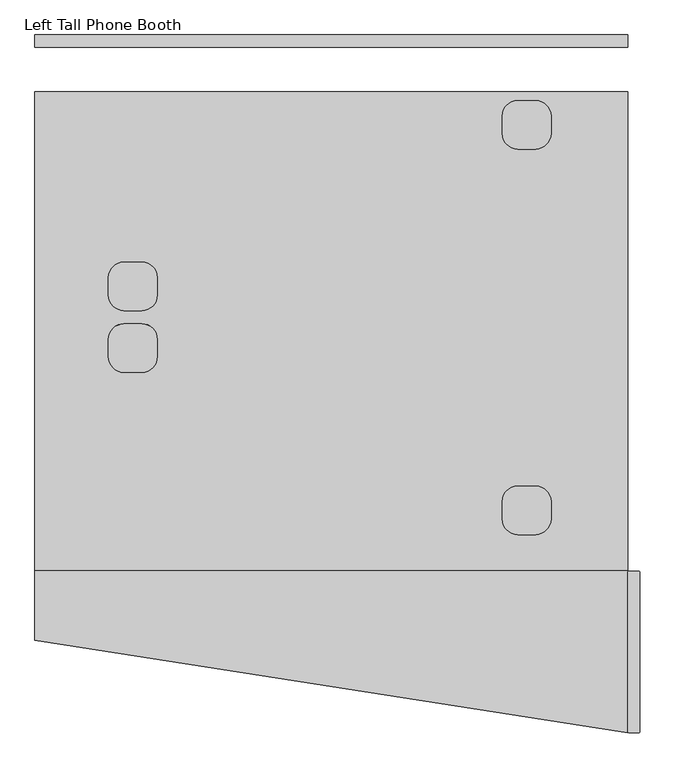
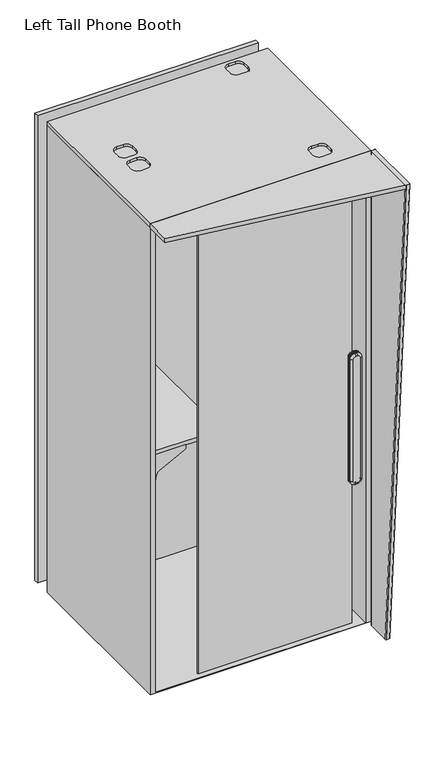
"""IFC4 building model written with IfcOpenShell, lengths in millimetres: furniture geometry, Left Tall Phone Booth."""

from ifc_helpers import new_model, si_unit, point, frame, frame_2d, origin, place, context, project, spatial, polyline, circle_curve, ellipse_curve, trimmed, segment, composite_curve, outline, extrude, faceted_brep, source, transform, mapped, element, save
from ifc_brep_helpers import plane_surface, cylinder_surface, revolved_surface, extruded_surface, advanced_brep


def left_tall_phone_booth_8a5bdd93(model_context):
    return source(origin(), model_context, "Body", "SolidModel", [
        advanced_brep(
        [(995.9999991, -888.0328478, 2259.9999538), (981.0, -888.0328478, 2259.9999538), (979.0, -890.0328478, 2259.9999538), (979.0, -1148.0328544, 2259.9999538), (981.0, -1150.0328544, 2259.9999538), (995.9999991, -1150.0328544, 2259.9999538), (997.9999991, -1148.0328544, 2259.9999538), (997.9999991, -890.0328478, 2259.9999538), (995.9999991, -888.0328478, 77.5), (997.9999991, -890.0328478, 77.5), (997.9999991, -998.0000005, 77.5), (995.9999991, -1000.0000005, 77.5), (981.0, -1000.0000005, 77.5), (979.0, -998.0000005, 77.5), (979.0, -890.0328478, 77.5), (981.0, -888.0328478, 77.5)],
        [
            (0, 1),
            (1, 2, circle_curve(frame((981.0, -890.0328478, 2259.9999538), z_axis=(0.0, 0.0, 1.0), x_axis=(-1.0, 0.0, 0.0)), 2.0)),
            (2, 3),
            (3, 4, circle_curve(frame((981.0, -1148.0328544, 2259.9999538), z_axis=(0.0, 0.0, 1.0), x_axis=(1.0, 0.0, 0.0)), 2.0)),
            (4, 5),
            (5, 6, circle_curve(frame((995.9999991, -1148.0328544, 2259.9999538), z_axis=(0.0, 0.0, 1.0), x_axis=(1.0, 0.0, 0.0)), 2.0)),
            (6, 7),
            (7, 0, circle_curve(frame((995.9999991, -890.0328478, 2259.9999538), z_axis=(0.0, 0.0, 1.0), x_axis=(0.0, 1.0, 0.0)), 2.0)),
            (8, 9, circle_curve(frame((995.9999991, -890.0328478, 77.5), z_axis=(0.0, 0.0, -1.0), x_axis=(0.0, 1.0, 0.0)), 2.0)),
            (9, 10),
            (10, 11, circle_curve(frame((995.9999991, -998.0000005, 77.5), z_axis=(0.0, 0.0, -1.0), x_axis=(1.0, 0.0, 0.0)), 2.0)),
            (11, 12),
            (12, 13, circle_curve(frame((981.0, -998.0000005, 77.5), z_axis=(0.0, 0.0, -1.0), x_axis=(1.0, 0.0, 0.0)), 2.0)),
            (13, 14),
            (14, 15, circle_curve(frame((981.0, -890.0328478, 77.5), z_axis=(0.0, 0.0, -1.0), x_axis=(-1.0, 0.0, 0.0)), 2.0)),
            (15, 8),
            (15, 1),
            (0, 8),
            (14, 2),
            (13, 3),
            (12, 4),
            (11, 5),
            (10, 6),
            (9, 7),
        ],
        [
            plane_surface(frame((988.4999996, -1019.0328511, 2259.9999538), z_axis=(0.0, 0.0, 1.0), x_axis=(-1.0, 0.0, 0.0))),
            plane_surface(frame((988.4999996, -944.0164241, 77.5), z_axis=(0.0, 0.0, -1.0), x_axis=(-1.0, 0.0, 0.0))),
            plane_surface(frame((988.4999996, -888.0328478, 77.5), z_axis=(0.0, 1.0, 0.0), x_axis=(-1.0, 0.0, 0.0))),
            cylinder_surface(frame((981.0, -890.0328478, 77.5), z_axis=(0.0, 0.0, 1.0), x_axis=(-1.0, 0.0, 0.0)), 2.0),
            plane_surface(frame((979.0, -944.0164241, 77.5), z_axis=(-1.0, 0.0, 0.0), x_axis=(0.0, -1.0, 0.0))),
            extruded_surface(trimmed(circle_curve(frame((981.0, -998.0000005, 77.5), z_axis=(0.0, 0.0, 1.0), x_axis=(1.0, 0.0, 0.0)), 2.0), [point((979.0, -998.0000005, 77.5))], [point((981.0, -1000.0000005, 77.5))], True, "CARTESIAN"), (0.0, -150.03285389999985, 2182.4999538), 2187.6507732237296),
            plane_surface(frame((988.4999996, -1000.0000005, 77.5), z_axis=(0.0, -0.9976455019737692, -0.06858172053474744), x_axis=(1.0, 0.0, 0.0))),
            extruded_surface(trimmed(circle_curve(frame((995.9999991, -998.0000005, 77.5), z_axis=(0.0, 0.0, 1.0), x_axis=(1.0, 0.0, 0.0)), 2.0), [point((995.9999991, -1000.0000005, 77.5))], [point((997.9999991, -998.0000005, 77.5))], True, "CARTESIAN"), (0.0, -150.03285389999985, 2182.4999538), 2187.6507732237296),
            plane_surface(frame((997.9999991, -944.0164241, 77.5), z_axis=(1.0, 0.0, 0.0), x_axis=(0.0, 1.0, 0.0))),
            cylinder_surface(frame((995.9999991, -890.0328478, 77.5), z_axis=(0.0, 0.0, 1.0), x_axis=(0.0, 1.0, 0.0)), 2.0),
        ],
        [
            (0, [[1, 2, 3, 4, 5, 6, 7, 8]]),
            (1, [[9, 10, 11, 12, 13, 14, 15, 16]]),
            (2, [[-16, 17, -1, 18]]),
            (3, [[-15, 19, -2, -17]]),
            (4, [[-14, 20, -3, -19]]),
            (5, [[-13, 21, -4, -20]]),
            (6, [[-12, 22, -5, -21]]),
            (7, [[-11, 23, -6, -22]]),
            (8, [[-10, 24, -7, -23]]),
            (9, [[-9, -18, -8, -24]]),
        ],
    ),
        extrude(outline(polyline([(18.9919174, -1000.0000005), (18.9919174, -887.9323077), (979.0080786, -887.9323077), (979.0080786, -1150.0328544), (18.9919174, -1000.0000005)])), frame((0.0, 0.0, 2241.0), z_axis=(0.0, 0.0, 1.0), x_axis=(1.0, 0.0, 0.0)), (0.0, 0.0, 1.0), 18.9999538),
        extrude(outline(composite_curve([segment(polyline([(1155.9656463, 41.9999957), (1011.000026, 41.9999957), (1011.000026, 60.1429939), (1060.4531008, 69.3329112)]), True, "CONTINUOUS"), segment(trimmed(circle_curve(frame_2d((1055.8855215, 93.9121142)), 25.0), [point((1060.4531008, 69.3329112))], [point((1078.1606846, 82.5623517))], True, "CARTESIAN"), True, "CONTINUOUS"), segment(polyline([(1078.1606846, 82.5623517), (1133.8068913, 191.7741815)]), True, "CONTINUOUS"), segment(trimmed(circle_curve(frame_2d((1143.7802255, 186.6925138)), 11.1933347), [point((1133.8068913, 191.7741815))], [point((1143.7802255, 197.8858486))], False, "CARTESIAN"), True, "CONTINUOUS"), segment(polyline([(1143.7802255, 197.8858486), (1155.9656463, 197.8858486), (1155.9656463, 41.9999957)]), True, "CONTINUOUS")], self_intersect=False)), frame((0.0, -197.0271946, 0.0), z_axis=(0.0, 1.0, 0.0), x_axis=(0.0, 0.0, 1.0)), (0.0, 0.0, 1.0), 6.7771763),
        extrude(outline(composite_curve([segment(polyline([(1155.9656463, 41.9999957), (1011.000026, 41.9999957), (1011.000026, 60.1429939), (1060.4531008, 69.3329112)]), True, "CONTINUOUS"), segment(trimmed(circle_curve(frame_2d((1055.8855215, 93.9121142)), 25.0), [point((1060.4531008, 69.3329112))], [point((1078.1606846, 82.5623517))], True, "CARTESIAN"), True, "CONTINUOUS"), segment(polyline([(1078.1606846, 82.5623517), (1133.8068913, 191.7741815)]), True, "CONTINUOUS"), segment(trimmed(circle_curve(frame_2d((1143.7802255, 186.6925138)), 11.1933347), [point((1133.8068913, 191.7741815))], [point((1143.7802255, 197.8858486))], False, "CARTESIAN"), True, "CONTINUOUS"), segment(polyline([(1143.7802255, 197.8858486), (1155.9656463, 197.8858486), (1155.9656463, 41.9999957)]), True, "CONTINUOUS")], self_intersect=False)), frame((0.0, -847.2499758, 0.0), z_axis=(0.0, 1.0, 0.0), x_axis=(0.0, 0.0, 1.0)), (0.0, 0.0, 1.0), 6.7771763),
        extrude(outline(composite_curve([segment(trimmed(circle_curve(frame_2d((249.0000293, -747.2499758)), 100.0), [point((349.0000293, -747.2499758))], [point((249.0000293, -847.2499758))], False, "CARTESIAN"), True, "CONTINUOUS"), segment(polyline([(249.0000293, -847.2499758), (41.9999957, -847.2499758), (41.9999957, -190.2500182), (249.0000293, -190.2500182)]), True, "CONTINUOUS"), segment(trimmed(circle_curve(frame_2d((249.0000293, -290.2500182)), 100.0), [point((249.0000293, -190.2500182))], [point((349.0000293, -290.2500182))], False, "CARTESIAN"), True, "CONTINUOUS"), segment(polyline([(349.0000293, -290.2500182), (349.0000293, -747.2499758)]), True, "CONTINUOUS")], self_intersect=False)), frame((0.0, 0.0, 1155.9656463), z_axis=(0.0, 0.0, 1.0), x_axis=(1.0, 0.0, 0.0)), (0.0, 0.0, 1.0), 17.987796),
        advanced_brep(
        [(979.0080786, -888.7290806, 2259.9999538), (979.0080786, -888.7290806, 2242.7287734), (979.0080786, -112.1922535, 2242.7287734), (979.0080786, -112.1922535, 2259.9999538), (18.9919174, -888.7290806, 2259.9999538), (18.9919174, -112.1922535, 2259.9999538), (18.9919174, -112.1922535, 2242.7287734), (18.9919174, -888.7290806, 2242.7287734), (163.0901466, -387.9199986, 2259.9999538), (191.9700314, -387.9199986, 2259.9999538), (216.9700314, -412.9199986, 2259.9999538), (216.9700314, -441.4199986, 2259.9999538), (191.9700314, -466.4199986, 2259.9999538), (163.0901466, -466.4199986, 2259.9999538), (138.0901466, -441.4199986, 2259.9999538), (138.0901466, -412.9199986, 2259.9999538), (163.0901466, -487.9199991, 2259.9999538), (191.9700314, -487.9199991, 2259.9999538), (216.9700314, -512.9199991, 2259.9999538), (216.9700314, -541.4199991, 2259.9999538), (191.9700314, -566.4199991, 2259.9999538), (163.0901466, -566.4199991, 2259.9999538), (138.0901466, -541.4199991, 2259.9999538), (138.0901466, -512.9199991, 2259.9999538), (800.5578374, -126.4599919, 2259.9999538), (829.4377222, -126.4599919, 2259.9999538), (854.4377222, -151.4599919, 2259.9999538), (854.4377222, -179.9599919, 2259.9999538), (829.4377222, -204.9599919, 2259.9999538), (800.5578374, -204.9599919, 2259.9999538), (775.5578374, -179.9599919, 2259.9999538), (775.5578374, -151.4599919, 2259.9999538), (854.4377222, -803.9599919, 2259.9999538), (829.4377222, -828.9599919, 2259.9999538), (800.5578374, -828.9599919, 2259.9999538), (775.5578374, -803.9599919, 2259.9999538), (775.5578374, -775.4599919, 2259.9999538), (800.5578374, -750.4599919, 2259.9999538), (829.4377222, -750.4599919, 2259.9999538), (854.4377222, -775.4599919, 2259.9999538), (191.9700314, -387.9199986, 2248.8864131), (163.0901466, -387.9199986, 2248.8864131), (138.0901466, -412.9199986, 2248.8864131), (138.0901466, -441.4199986, 2248.8864131), (163.0901466, -466.4199986, 2248.8864131), (191.9700314, -466.4199986, 2248.8864131), (216.9700314, -441.4199986, 2248.8864131), (216.9700314, -412.9199986, 2248.8864131), (191.9700314, -487.9199991, 2248.8864131), (163.0901466, -487.9199991, 2248.8864131), (138.0901466, -512.9199991, 2248.8864131), (138.0901466, -541.4199991, 2248.8864131), (163.0901466, -566.4199991, 2248.8864131), (191.9700314, -566.4199991, 2248.8864131), (216.9700314, -541.4199991, 2248.8864131), (216.9700314, -512.9199991, 2248.8864131), (829.4377222, -126.4599919, 2248.8864131), (800.5578374, -126.4599919, 2248.8864131), (775.5578374, -151.4599919, 2248.8864131), (775.5578374, -179.9599919, 2248.8864131), (800.5578374, -204.9599919, 2248.8864131), (829.4377222, -204.9599919, 2248.8864131), (854.4377222, -179.9599919, 2248.8864131), (854.4377222, -151.4599919, 2248.8864131), (829.4377222, -828.9599919, 2248.8864131), (854.4377222, -803.9599919, 2248.8864131), (854.4377222, -775.4599919, 2248.8864131), (829.4377222, -750.4599919, 2248.8864131), (800.5578374, -750.4599919, 2248.8864131), (775.5578374, -775.4599919, 2248.8864131), (775.5578374, -803.9599919, 2248.8864131), (800.5578374, -828.9599919, 2248.8864131)],
        [
            (0, 1),
            (1, 2),
            (2, 3),
            (3, 0),
            (4, 5),
            (5, 6),
            (6, 7),
            (7, 4),
            (0, 4),
            (7, 1),
            (6, 2),
            (5, 3),
            (8, 9),
            (9, 10, circle_curve(frame((191.9700314, -412.9199986, 2259.9999538), z_axis=(0.0, 0.0, -1.0), x_axis=(1.0, 0.0, 0.0)), 25.0)),
            (10, 11),
            (11, 12, circle_curve(frame((191.9700314, -441.4199986, 2259.9999538), z_axis=(0.0, 0.0, -1.0), x_axis=(1.0, 0.0, 0.0)), 25.0)),
            (12, 13),
            (13, 14, circle_curve(frame((163.0901466, -441.4199986, 2259.9999538), z_axis=(0.0, 0.0, -1.0), x_axis=(1.0, 0.0, 0.0)), 25.0)),
            (14, 15),
            (15, 8, circle_curve(frame((163.0901466, -412.9199986, 2259.9999538), z_axis=(0.0, 0.0, -1.0), x_axis=(1.0, 0.0, 0.0)), 25.0)),
            (16, 17),
            (17, 18, circle_curve(frame((191.9700314, -512.9199991, 2259.9999538), z_axis=(0.0, 0.0, -1.0), x_axis=(1.0, 0.0, 0.0)), 25.0)),
            (18, 19),
            (19, 20, circle_curve(frame((191.9700314, -541.4199991, 2259.9999538), z_axis=(0.0, 0.0, -1.0), x_axis=(1.0, 0.0, 0.0)), 25.0)),
            (20, 21),
            (21, 22, circle_curve(frame((163.0901466, -541.4199991, 2259.9999538), z_axis=(0.0, 0.0, -1.0), x_axis=(1.0, 0.0, 0.0)), 25.0)),
            (22, 23),
            (23, 16, circle_curve(frame((163.0901466, -512.9199991, 2259.9999538), z_axis=(0.0, 0.0, -1.0), x_axis=(1.0, 0.0, 0.0)), 25.0)),
            (24, 25),
            (25, 26, circle_curve(frame((829.4377222, -151.4599919, 2259.9999538), z_axis=(0.0, 0.0, -1.0), x_axis=(1.0, 0.0, 0.0)), 25.0)),
            (26, 27),
            (27, 28, circle_curve(frame((829.4377222, -179.9599919, 2259.9999538), z_axis=(0.0, 0.0, -1.0), x_axis=(1.0, 0.0, 0.0)), 25.0)),
            (28, 29),
            (29, 30, circle_curve(frame((800.5578374, -179.9599919, 2259.9999538), z_axis=(0.0, 0.0, -1.0), x_axis=(1.0, 0.0, 0.0)), 25.0)),
            (30, 31),
            (31, 24, circle_curve(frame((800.5578374, -151.4599919, 2259.9999538), z_axis=(0.0, 0.0, -1.0), x_axis=(1.0, 0.0, 0.0)), 25.0)),
            (32, 33, circle_curve(frame((829.4377222, -803.9599919, 2259.9999538), z_axis=(0.0, 0.0, -1.0), x_axis=(1.0, 0.0, 0.0)), 25.0)),
            (33, 34),
            (34, 35, circle_curve(frame((800.5578374, -803.9599919, 2259.9999538), z_axis=(0.0, 0.0, -1.0), x_axis=(1.0, 0.0, 0.0)), 25.0)),
            (35, 36),
            (36, 37, circle_curve(frame((800.5578374, -775.4599919, 2259.9999538), z_axis=(0.0, 0.0, -1.0), x_axis=(1.0, 0.0, 0.0)), 25.0)),
            (37, 38),
            (38, 39, circle_curve(frame((829.4377222, -775.4599919, 2259.9999538), z_axis=(0.0, 0.0, -1.0), x_axis=(1.0, 0.0, 0.0)), 25.0)),
            (39, 32),
            (40, 41),
            (41, 42, circle_curve(frame((163.0901466, -412.9199986, 2248.8864131), z_axis=(0.0, 0.0, 1.0), x_axis=(1.0, 0.0, 0.0)), 25.0)),
            (42, 43),
            (43, 44, circle_curve(frame((163.0901466, -441.4199986, 2248.8864131), z_axis=(0.0, 0.0, 1.0), x_axis=(1.0, 0.0, 0.0)), 25.0)),
            (44, 45),
            (45, 46, circle_curve(frame((191.9700314, -441.4199986, 2248.8864131), z_axis=(0.0, 0.0, 1.0), x_axis=(1.0, 0.0, 0.0)), 25.0)),
            (46, 47),
            (47, 40, circle_curve(frame((191.9700314, -412.9199986, 2248.8864131), z_axis=(0.0, 0.0, 1.0), x_axis=(1.0, 0.0, 0.0)), 25.0)),
            (48, 49),
            (49, 50, circle_curve(frame((163.0901466, -512.9199991, 2248.8864131), z_axis=(0.0, 0.0, 1.0), x_axis=(1.0, 0.0, 0.0)), 25.0)),
            (50, 51),
            (51, 52, circle_curve(frame((163.0901466, -541.4199991, 2248.8864131), z_axis=(0.0, 0.0, 1.0), x_axis=(1.0, 0.0, 0.0)), 25.0)),
            (52, 53),
            (53, 54, circle_curve(frame((191.9700314, -541.4199991, 2248.8864131), z_axis=(0.0, 0.0, 1.0), x_axis=(1.0, 0.0, 0.0)), 25.0)),
            (54, 55),
            (55, 48, circle_curve(frame((191.9700314, -512.9199991, 2248.8864131), z_axis=(0.0, 0.0, 1.0), x_axis=(1.0, 0.0, 0.0)), 25.0)),
            (56, 57),
            (57, 58, circle_curve(frame((800.5578374, -151.4599919, 2248.8864131), z_axis=(0.0, 0.0, 1.0), x_axis=(1.0, 0.0, 0.0)), 25.0)),
            (58, 59),
            (59, 60, circle_curve(frame((800.5578374, -179.9599919, 2248.8864131), z_axis=(0.0, 0.0, 1.0), x_axis=(1.0, 0.0, 0.0)), 25.0)),
            (60, 61),
            (61, 62, circle_curve(frame((829.4377222, -179.9599919, 2248.8864131), z_axis=(0.0, 0.0, 1.0), x_axis=(1.0, 0.0, 0.0)), 25.0)),
            (62, 63),
            (63, 56, circle_curve(frame((829.4377222, -151.4599919, 2248.8864131), z_axis=(0.0, 0.0, 1.0), x_axis=(1.0, 0.0, 0.0)), 25.0)),
            (64, 65, circle_curve(frame((829.4377222, -803.9599919, 2248.8864131), z_axis=(0.0, 0.0, 1.0), x_axis=(1.0, 0.0, 0.0)), 25.0)),
            (65, 66),
            (66, 67, circle_curve(frame((829.4377222, -775.4599919, 2248.8864131), z_axis=(0.0, 0.0, 1.0), x_axis=(1.0, 0.0, 0.0)), 25.0)),
            (67, 68),
            (68, 69, circle_curve(frame((800.5578374, -775.4599919, 2248.8864131), z_axis=(0.0, 0.0, 1.0), x_axis=(1.0, 0.0, 0.0)), 25.0)),
            (69, 70),
            (70, 71, circle_curve(frame((800.5578374, -803.9599919, 2248.8864131), z_axis=(0.0, 0.0, 1.0), x_axis=(1.0, 0.0, 0.0)), 25.0)),
            (71, 64),
            (40, 9),
            (8, 41),
            (15, 42),
            (14, 43),
            (13, 44),
            (12, 45),
            (11, 46),
            (10, 47),
            (48, 17),
            (16, 49),
            (23, 50),
            (22, 51),
            (21, 52),
            (20, 53),
            (19, 54),
            (18, 55),
            (56, 25),
            (24, 57),
            (31, 58),
            (30, 59),
            (29, 60),
            (28, 61),
            (27, 62),
            (26, 63),
            (64, 33),
            (32, 65),
            (39, 66),
            (38, 67),
            (37, 68),
            (36, 69),
            (35, 70),
            (34, 71),
        ],
        [
            plane_surface(frame((979.0080786, -888.7290806, 2259.9999538), z_axis=(1.0, 0.0, 0.0), x_axis=(0.0, 0.0, -1.0))),
            plane_surface(frame((18.9919174, -888.7290806, 2259.9999538), z_axis=(-1.0, 0.0, 0.0), x_axis=(0.0, 0.0, 1.0))),
            plane_surface(frame((979.0080786, -888.7290806, 2259.9999538), z_axis=(0.0, -1.0, 0.0), x_axis=(-1.0, 0.0, 0.0))),
            plane_surface(frame((979.0080786, -888.7290806, 2242.7287734), z_axis=(0.0, 0.0, -1.0), x_axis=(-1.0, 0.0, 0.0))),
            plane_surface(frame((979.0080786, -112.1922535, 2242.7287734), z_axis=(0.0, 1.0, 0.0), x_axis=(-1.0, 0.0, 0.0))),
            plane_surface(frame((979.0080786, -112.1922535, 2259.9999538), z_axis=(0.0, 0.0, 1.0), x_axis=(-1.0, 0.0, 0.0))),
            plane_surface(frame((138.0901466, -387.9199986, 2248.8864131), z_axis=(0.0, 0.0, 1.0), x_axis=(1.0, 0.0, 0.0))),
            plane_surface(frame((191.9700314, -387.9199986, 2335.8296588), z_axis=(0.0, -1.0, 0.0), x_axis=(0.0, 0.0, -1.0))),
            revolved_surface(polyline([(188.0901466, -412.9199986, 2259.9999538), (188.0901466, -412.9199986, 2248.8864131)]), (163.0901466, -412.9199986, 2248.8864131), (0.0, 0.0, 1.0)),
            plane_surface(frame((138.0901466, -412.9199986, 2335.8296588), z_axis=(1.0, 0.0, 0.0), x_axis=(0.0, 0.0, -1.0))),
            revolved_surface(polyline([(188.0901466, -441.4199986, 2259.9999538), (188.0901466, -441.4199986, 2248.8864131)]), (163.0901466, -441.4199986, 2248.8864131), (0.0, 0.0, 1.0)),
            plane_surface(frame((163.0901466, -466.4199986, 2335.8296588), z_axis=(0.0, 1.0, 0.0), x_axis=(0.0, 0.0, -1.0))),
            revolved_surface(polyline([(216.9700314, -441.4199986, 2259.9999538), (216.9700314, -441.4199986, 2248.8864131)]), (191.9700314, -441.4199986, 2248.8864131), (0.0, 0.0, 1.0)),
            plane_surface(frame((216.9700314, -441.4199986, 2335.8296588), z_axis=(-1.0, 0.0, 0.0), x_axis=(0.0, 0.0, -1.0))),
            revolved_surface(polyline([(216.9700314, -412.9199986, 2259.9999538), (216.9700314, -412.9199986, 2248.8864131)]), (191.9700314, -412.9199986, 2248.8864131), (0.0, 0.0, 1.0)),
            plane_surface(frame((191.9700314, -487.9199991, 2335.8296588), z_axis=(0.0, -1.0, 0.0), x_axis=(0.0, 0.0, -1.0))),
            revolved_surface(polyline([(188.0901466, -512.9199991, 2259.9999538), (188.0901466, -512.9199991, 2248.8864131)]), (163.0901466, -512.9199991, 0.0), (0.0, 0.0, 1.0)),
            plane_surface(frame((138.0901466, -512.9199991, 2335.8296588), z_axis=(1.0, 0.0, 0.0), x_axis=(0.0, 0.0, -1.0))),
            revolved_surface(polyline([(188.0901466, -541.4199991, 2259.9999538), (188.0901466, -541.4199991, 2248.8864131)]), (163.0901466, -541.4199991, 0.0), (0.0, 0.0, 1.0)),
            plane_surface(frame((163.0901466, -566.4199991, 2335.8296588), z_axis=(0.0, 1.0, 0.0), x_axis=(0.0, 0.0, -1.0))),
            revolved_surface(polyline([(216.9700314, -541.4199991, 2259.9999538), (216.9700314, -541.4199991, 2248.8864131)]), (191.9700314, -541.4199991, 0.0), (0.0, 0.0, 1.0)),
            plane_surface(frame((216.9700314, -541.4199991, 2335.8296588), z_axis=(-1.0, 0.0, 0.0), x_axis=(0.0, 0.0, -1.0))),
            revolved_surface(polyline([(216.9700314, -512.9199991, 2259.9999538), (216.9700314, -512.9199991, 2248.8864131)]), (191.9700314, -512.9199991, 0.0), (0.0, 0.0, 1.0)),
            plane_surface(frame((829.4377222, -126.4599919, 2335.8296588), z_axis=(0.0, -1.0, 0.0), x_axis=(0.0, 0.0, -1.0))),
            revolved_surface(polyline([(825.5578374, -151.4599919, 2259.9999538), (825.5578374, -151.4599919, 2248.8864131)]), (800.5578374, -151.4599919, 0.0), (0.0, 0.0, 1.0)),
            plane_surface(frame((775.5578374, -151.4599919, 2335.8296588), z_axis=(1.0, 0.0, 0.0), x_axis=(0.0, 0.0, -1.0))),
            revolved_surface(polyline([(825.5578374, -179.9599919, 2259.9999538), (825.5578374, -179.9599919, 2248.8864131)]), (800.5578374, -179.9599919, 0.0), (0.0, 0.0, 1.0)),
            plane_surface(frame((800.5578374, -204.9599919, 2335.8296588), z_axis=(0.0, 1.0, 0.0), x_axis=(0.0, 0.0, -1.0))),
            revolved_surface(polyline([(854.4377222, -179.9599919, 2259.9999538), (854.4377222, -179.9599919, 2248.8864131)]), (829.4377222, -179.9599919, 0.0), (0.0, 0.0, 1.0)),
            plane_surface(frame((854.4377222, -179.9599919, 2335.8296588), z_axis=(-1.0, 0.0, 0.0), x_axis=(0.0, 0.0, -1.0))),
            revolved_surface(polyline([(854.4377222, -151.4599919, 2259.9999538), (854.4377222, -151.4599919, 2248.8864131)]), (829.4377222, -151.4599919, 0.0), (0.0, 0.0, 1.0)),
            revolved_surface(polyline([(854.4377222, -803.9599919, 2259.9999538), (854.4377222, -803.9599919, 2248.8864131)]), (829.4377222, -803.9599919, 0.0), (0.0, 0.0, 1.0)),
            plane_surface(frame((854.4377222, -803.9599919, 2335.8296588), z_axis=(-1.0, 0.0, 0.0), x_axis=(0.0, 0.0, -1.0))),
            revolved_surface(polyline([(854.4377222, -775.4599919, 2259.9999538), (854.4377222, -775.4599919, 2248.8864131)]), (829.4377222, -775.4599919, 0.0), (0.0, 0.0, 1.0)),
            plane_surface(frame((829.4377222, -750.4599919, 2335.8296588), z_axis=(0.0, -1.0, 0.0), x_axis=(0.0, 0.0, -1.0))),
            revolved_surface(polyline([(825.5578374, -775.4599919, 2259.9999538), (825.5578374, -775.4599919, 2248.8864131)]), (800.5578374, -775.4599919, 0.0), (0.0, 0.0, 1.0)),
            plane_surface(frame((775.5578374, -775.4599919, 2335.8296588), z_axis=(1.0, 0.0, 0.0), x_axis=(0.0, 0.0, -1.0))),
            revolved_surface(polyline([(825.5578374, -803.9599919, 2259.9999538), (825.5578374, -803.9599919, 2248.8864131)]), (800.5578374, -803.9599919, 0.0), (0.0, 0.0, 1.0)),
            plane_surface(frame((800.5578374, -828.9599919, 2335.8296588), z_axis=(0.0, 1.0, 0.0), x_axis=(0.0, 0.0, -1.0))),
        ],
        [
            (0, [[1, 2, 3, 4]]),
            (1, [[5, 6, 7, 8]]),
            (2, [[-1, 9, -8, 10]]),
            (3, [[-2, -10, -7, 11]]),
            (4, [[-3, -11, -6, 12]]),
            (5, [[-4, -12, -5, -9], [13, 14, 15, 16, 17, 18, 19, 20], [21, 22, 23, 24, 25, 26, 27, 28], [29, 30, 31, 32, 33, 34, 35, 36], [37, 38, 39, 40, 41, 42, 43, 44]]),
            (6, [[45, 46, 47, 48, 49, 50, 51, 52]]),
            (6, [[53, 54, 55, 56, 57, 58, 59, 60]]),
            (6, [[61, 62, 63, 64, 65, 66, 67, 68]]),
            (6, [[69, 70, 71, 72, 73, 74, 75, 76]]),
            (7, [[-45, 77, -13, 78]]),
            (8, [[-46, -78, -20, 79]]),
            (9, [[-47, -79, -19, 80]]),
            (10, [[-48, -80, -18, 81]]),
            (11, [[-49, -81, -17, 82]]),
            (12, [[-50, -82, -16, 83]]),
            (13, [[-51, -83, -15, 84]]),
            (14, [[-52, -84, -14, -77]]),
            (15, [[-53, 85, -21, 86]]),
            (16, [[-54, -86, -28, 87]]),
            (17, [[-55, -87, -27, 88]]),
            (18, [[-56, -88, -26, 89]]),
            (19, [[-57, -89, -25, 90]]),
            (20, [[-58, -90, -24, 91]]),
            (21, [[-59, -91, -23, 92]]),
            (22, [[-60, -92, -22, -85]]),
            (23, [[-61, 93, -29, 94]]),
            (24, [[-62, -94, -36, 95]]),
            (25, [[-63, -95, -35, 96]]),
            (26, [[-64, -96, -34, 97]]),
            (27, [[-65, -97, -33, 98]]),
            (28, [[-66, -98, -32, 99]]),
            (29, [[-67, -99, -31, 100]]),
            (30, [[-68, -100, -30, -93]]),
            (31, [[-69, 101, -37, 102]]),
            (32, [[-70, -102, -44, 103]]),
            (33, [[-71, -103, -43, 104]]),
            (34, [[-72, -104, -42, 105]]),
            (35, [[-73, -105, -41, 106]]),
            (36, [[-74, -106, -40, 107]]),
            (37, [[-75, -107, -39, 108]]),
            (38, [[-76, -108, -38, -101]]),
        ],
    ),
        faceted_brep([(18.9919174, -112.1922535, 2242.7287734), (18.9919174, -888.7290806, 2242.7287734), (41.9999957, -888.7290806, 2242.7287734), (41.9999957, -134.1135464, 2242.7287734), (955.9761665, -134.1135464, 2242.7287734), (955.9761665, -888.7290806, 2242.7287734), (979.0080786, -888.7290806, 2242.7287734), (979.0080786, -112.1922535, 2242.7287734), (18.9919174, -112.1922535, 93.8931782), (979.0080786, -112.1922535, 93.8931782), (979.0080786, -888.7290806, 93.8931782), (18.9919174, -888.7290806, 93.8931782), (955.9761665, -134.1135464, 96.2197867), (955.9761665, -888.7290806, 96.2197867), (41.9999957, -888.7290806, 96.2197867), (41.9999957, -134.1135464, 96.2197867)], [[[0, 1, 2, 3, 4, 5, 6, 7]], [[8, 9, 10, 11]], [[1, 0, 8, 11]], [[7, 6, 10, 9]], [[0, 7, 9, 8]], [[5, 4, 12, 13]], [[3, 2, 14, 15]], [[4, 3, 15, 12]], [[2, 1, 11, 10, 6, 5, 13, 14]], [[14, 13, 12, 15]]]),
        extrude(outline(polyline([(979.0080786, -20.2453568), (979.0080786, -40.4281284), (18.9919174, -40.4281284), (18.9919174, -20.2453568), (979.0080786, -20.2453568)])), frame((0.0, 0.0, 93.8931782), z_axis=(0.0, 0.0, 1.0), x_axis=(1.0, 0.0, 0.0)), (0.0, 0.0, 1.0), 2148.8355952),
        extrude(outline(polyline([(867.9999959, -931.0000005), (867.9999959, -937.0000005), (200.1951039, -937.0000005), (200.1951039, -931.0000005), (867.9999959, -931.0000005)])), frame((0.0, 0.0, 155.2071115), z_axis=(0.0, 0.0, 1.0), x_axis=(1.0, 0.0, 0.0)), (0.0, 0.0, 1.0), 2021.2929295),
        advanced_brep(
        [(853.9098883, -1033.4639753, 1448.934151), (834.2095791, -1033.4639753, 1468.6344601), (834.2095791, -1041.4639753, 1460.6344601), (845.9098883, -1041.4639753, 1448.934151), (853.9098883, -1029.1921613, 1448.934151), (834.2095791, -1029.1921613, 1468.6344601), (853.4539574, -1028.6063103, 1448.934151), (834.2095791, -1028.6063103, 1468.1785293), (853.4539574, -1025.3160149, 1448.934151), (834.2095791, -1025.3160149, 1468.1785293), (853.9098883, -1024.4562782, 1448.934151), (834.2095791, -1024.4562782, 1468.6344601), (853.9098883, -1020.4537498, 1448.934151), (834.2095791, -1020.4537498, 1468.6344601), (845.9098883, -1012.4537498, 1448.934151), (834.2095791, -1012.4537498, 1460.6344601), (845.9098883, -1041.4639753, 888.6878285), (853.9098883, -1033.4639753, 888.6878285), (853.9098883, -1029.1921613, 888.6878285), (853.4539574, -1028.6063103, 888.6878285), (853.4539574, -1025.3160149, 888.6878285), (853.9098883, -1024.4562782, 888.6878285), (853.9098883, -1020.4537498, 888.6878285), (845.9098883, -1012.4537498, 888.6878285), (834.2095791, -1041.4639753, 876.9875193), (834.2095791, -1033.4639753, 868.9875193), (834.2095791, -1029.1921613, 868.9875193), (834.2095791, -1028.6063103, 869.4434501), (834.2095791, -1025.3160149, 869.4434501), (834.2095791, -1024.4562782, 868.9875193), (834.2095791, -1020.4537498, 868.9875193), (834.2095791, -1012.4537498, 876.9875193), (824.2169444, -1041.4639753, 876.9875193), (824.2169444, -1033.4639753, 868.9875193), (824.2169444, -1029.1921613, 868.9875193), (824.2169444, -1028.6063103, 869.4434501), (824.2169444, -1025.3160149, 869.4434501), (824.2169444, -1024.4562782, 868.9875193), (824.2169444, -1020.4537498, 868.9875193), (824.2169444, -1012.4537498, 876.9875193), (812.5166352, -1041.4639753, 888.6878285), (804.5166352, -1033.4639753, 888.6878285), (804.5166352, -1029.1921613, 888.6878285), (804.9725661, -1028.6063103, 888.6878285), (804.9725661, -1025.3160149, 888.6878285), (804.5166352, -1024.4562782, 888.6878285), (804.5166352, -1020.4537498, 888.6878285), (812.5166352, -1012.4537498, 888.6878285), (812.5166352, -1041.4639753, 1448.934151), (804.5166352, -1033.4639753, 1448.934151), (804.5166352, -1029.1921613, 1448.934151), (804.9725661, -1028.6063103, 1448.934151), (804.9725661, -1025.3160149, 1448.934151), (804.5166352, -1024.4562782, 1448.934151), (804.5166352, -1020.4537498, 1448.934151), (812.5166352, -1012.4537498, 1448.934151), (824.2169444, -1041.4639753, 1460.6344601), (824.2169444, -1033.4639753, 1468.6344601), (824.2169444, -1029.1921613, 1468.6344601), (824.2169444, -1028.6063103, 1468.1785293), (824.2169444, -1025.3160149, 1468.1785293), (824.2169444, -1024.4562782, 1468.6344601), (824.2169444, -1020.4537498, 1468.6344601), (824.2169444, -1012.4537498, 1460.6344601)],
        [
            (0, 1, circle_curve(frame((834.2095791, -1033.4639753, 1448.934151), z_axis=(0.0, -1.0, 0.0), x_axis=(0.0, 0.0, 1.0)), 19.7003092)),
            (1, 2, circle_curve(frame((834.2095791, -1033.4639753, 1460.6344601), z_axis=(1.0, 0.0, 0.0), x_axis=(0.0, -1.0, 0.0)), 8.0)),
            (2, 3, circle_curve(frame((834.2095791, -1041.4639753, 1448.934151), z_axis=(0.0, 1.0, 0.0), x_axis=(0.0, 0.0, 1.0)), 11.7003092)),
            (3, 0, circle_curve(frame((845.9098883, -1033.4639753, 1448.934151), z_axis=(0.0, 0.0, 1.0), x_axis=(0.0, -1.0, 0.0)), 8.0)),
            (0, 4),
            (4, 5, circle_curve(frame((834.2095791, -1029.1921613, 1448.934151), z_axis=(0.0, -1.0, 0.0), x_axis=(0.0, 0.0, 1.0)), 19.7003092)),
            (5, 1),
            (4, 6, circle_curve(frame((853.3055266, -1029.1921613, 1448.934151), z_axis=(0.0, 0.0, 1.0), x_axis=(0.0, -1.0, 0.0)), 0.6043617)),
            (6, 7, circle_curve(frame((834.2095791, -1028.6063103, 1448.934151), z_axis=(0.0, -1.0, 0.0), x_axis=(0.0, 0.0, 1.0)), 19.2443783)),
            (7, 5, circle_curve(frame((834.2095791, -1029.1921613, 1468.0300984), z_axis=(1.0, 0.0, 0.0), x_axis=(0.0, -1.0, 0.0)), 0.6043617)),
            (6, 8),
            (8, 9, circle_curve(frame((834.2095791, -1025.3160149, 1448.934151), z_axis=(0.0, -1.0, 0.0), x_axis=(0.0, 0.0, 1.0)), 19.2443783)),
            (9, 7),
            (8, 10, circle_curve(frame((852.8713315, -1024.4562782, 1448.934151), z_axis=(0.0, 0.0, 1.0), x_axis=(0.0, -1.0, 0.0)), 1.0385568)),
            (10, 11, circle_curve(frame((834.2095791, -1024.4562782, 1448.934151), z_axis=(0.0, -1.0, 0.0), x_axis=(0.0, 0.0, 1.0)), 19.7003092)),
            (11, 9, circle_curve(frame((834.2095791, -1024.4562782, 1467.5959033), z_axis=(1.0, 0.0, 0.0), x_axis=(0.0, -1.0, 0.0)), 1.0385568)),
            (10, 12),
            (12, 13, circle_curve(frame((834.2095791, -1020.4537498, 1448.934151), z_axis=(0.0, -1.0, 0.0), x_axis=(0.0, 0.0, 1.0)), 19.7003092)),
            (13, 11),
            (12, 14, circle_curve(frame((845.9098883, -1020.4537498, 1448.934151), z_axis=(0.0, 0.0, 1.0), x_axis=(0.0, -1.0, 0.0)), 8.0)),
            (14, 15, circle_curve(frame((834.2095791, -1012.4537498, 1448.934151), z_axis=(0.0, -1.0, 0.0), x_axis=(0.0, 0.0, 1.0)), 11.7003092)),
            (15, 13, circle_curve(frame((834.2095791, -1020.4537498, 1460.6344601), z_axis=(1.0, 0.0, 0.0), x_axis=(0.0, -1.0, 0.0)), 8.0)),
            (3, 16),
            (16, 17, circle_curve(frame((845.9098883, -1033.4639753, 888.6878285), z_axis=(0.0, 0.0, 1.0), x_axis=(0.0, -1.0, 0.0)), 8.0)),
            (17, 0),
            (17, 18),
            (18, 4),
            (18, 19, circle_curve(frame((853.3055266, -1029.1921613, 888.6878285), z_axis=(0.0, 0.0, 1.0), x_axis=(0.0, -1.0, 0.0)), 0.6043617)),
            (19, 6),
            (19, 20),
            (20, 8),
            (20, 21, circle_curve(frame((852.8713315, -1024.4562782, 888.6878285), z_axis=(0.0, 0.0, 1.0), x_axis=(0.0, -1.0, 0.0)), 1.0385568)),
            (21, 10),
            (21, 22),
            (22, 12),
            (22, 23, circle_curve(frame((845.9098883, -1020.4537498, 888.6878285), z_axis=(0.0, 0.0, 1.0), x_axis=(0.0, -1.0, 0.0)), 8.0)),
            (23, 14),
            (16, 24, circle_curve(frame((834.2095791, -1041.4639753, 888.6878285), z_axis=(0.0, 1.0, 0.0), x_axis=(1.0, 0.0, 0.0)), 11.7003092)),
            (24, 25, circle_curve(frame((834.2095791, -1033.4639753, 876.9875193), z_axis=(1.0, 0.0, 0.0), x_axis=(0.0, -1.0, 0.0)), 8.0)),
            (25, 17, circle_curve(frame((834.2095791, -1033.4639753, 888.6878285), z_axis=(0.0, -1.0, 0.0), x_axis=(1.0, 0.0, 0.0)), 19.7003092)),
            (25, 26),
            (26, 18, circle_curve(frame((834.2095791, -1029.1921613, 888.6878285), z_axis=(0.0, -1.0, 0.0), x_axis=(1.0, 0.0, 0.0)), 19.7003092)),
            (26, 27, circle_curve(frame((834.2095791, -1029.1921613, 869.591881), z_axis=(1.0, 0.0, 0.0), x_axis=(0.0, -1.0, 0.0)), 0.6043617)),
            (27, 19, circle_curve(frame((834.2095791, -1028.6063103, 888.6878285), z_axis=(0.0, -1.0, 0.0), x_axis=(1.0, 0.0, 0.0)), 19.2443783)),
            (27, 28),
            (28, 20, circle_curve(frame((834.2095791, -1025.3160149, 888.6878285), z_axis=(0.0, -1.0, 0.0), x_axis=(1.0, 0.0, 0.0)), 19.2443783)),
            (28, 29, circle_curve(frame((834.2095791, -1024.4562782, 870.0260761), z_axis=(1.0, 0.0, 0.0), x_axis=(0.0, -1.0, 0.0)), 1.0385568)),
            (29, 21, circle_curve(frame((834.2095791, -1024.4562782, 888.6878285), z_axis=(0.0, -1.0, 0.0), x_axis=(1.0, 0.0, 0.0)), 19.7003092)),
            (29, 30),
            (30, 22, circle_curve(frame((834.2095791, -1020.4537498, 888.6878285), z_axis=(0.0, -1.0, 0.0), x_axis=(1.0, 0.0, 0.0)), 19.7003092)),
            (30, 31, circle_curve(frame((834.2095791, -1020.4537498, 876.9875193), z_axis=(1.0, 0.0, 0.0), x_axis=(0.0, -1.0, 0.0)), 8.0)),
            (31, 23, circle_curve(frame((834.2095791, -1012.4537498, 888.6878285), z_axis=(0.0, -1.0, 0.0), x_axis=(1.0, 0.0, 0.0)), 11.7003092)),
            (24, 32),
            (32, 33, circle_curve(frame((824.2169444, -1033.4639753, 876.9875193), z_axis=(1.0, 0.0, 0.0), x_axis=(0.0, -1.0, 0.0)), 8.0)),
            (33, 25),
            (33, 34),
            (34, 26),
            (34, 35, circle_curve(frame((824.2169444, -1029.1921613, 869.591881), z_axis=(1.0, 0.0, 0.0), x_axis=(0.0, -1.0, 0.0)), 0.6043617)),
            (35, 27),
            (35, 36),
            (36, 28),
            (36, 37, circle_curve(frame((824.2169444, -1024.4562782, 870.0260761), z_axis=(1.0, 0.0, 0.0), x_axis=(0.0, -1.0, 0.0)), 1.0385568)),
            (37, 29),
            (37, 38),
            (38, 30),
            (38, 39, circle_curve(frame((824.2169444, -1020.4537498, 876.9875193), z_axis=(1.0, 0.0, 0.0), x_axis=(0.0, -1.0, 0.0)), 8.0)),
            (39, 31),
            (32, 40, circle_curve(frame((824.2169444, -1041.4639753, 888.6878285), z_axis=(0.0, 1.0, 0.0), x_axis=(0.0, 0.0, -1.0)), 11.7003092)),
            (40, 41, circle_curve(frame((812.5166352, -1033.4639753, 888.6878285), z_axis=(0.0, 0.0, -1.0), x_axis=(0.0, -1.0, 0.0)), 8.0)),
            (41, 33, circle_curve(frame((824.2169444, -1033.4639753, 888.6878285), z_axis=(0.0, -1.0, 0.0), x_axis=(0.0, 0.0, -1.0)), 19.7003092)),
            (41, 42),
            (42, 34, circle_curve(frame((824.2169444, -1029.1921613, 888.6878285), z_axis=(0.0, -1.0, 0.0), x_axis=(0.0, 0.0, -1.0)), 19.7003092)),
            (42, 43, circle_curve(frame((805.1209969, -1029.1921613, 888.6878285), z_axis=(0.0, 0.0, -1.0), x_axis=(0.0, -1.0, 0.0)), 0.6043617)),
            (43, 35, circle_curve(frame((824.2169444, -1028.6063103, 888.6878285), z_axis=(0.0, -1.0, 0.0), x_axis=(0.0, 0.0, -1.0)), 19.2443783)),
            (43, 44),
            (44, 36, circle_curve(frame((824.2169444, -1025.3160149, 888.6878285), z_axis=(0.0, -1.0, 0.0), x_axis=(0.0, 0.0, -1.0)), 19.2443783)),
            (44, 45, circle_curve(frame((805.5551921, -1024.4562782, 888.6878285), z_axis=(0.0, 0.0, -1.0), x_axis=(0.0, -1.0, 0.0)), 1.0385568)),
            (45, 37, circle_curve(frame((824.2169444, -1024.4562782, 888.6878285), z_axis=(0.0, -1.0, 0.0), x_axis=(0.0, 0.0, -1.0)), 19.7003092)),
            (45, 46),
            (46, 38, circle_curve(frame((824.2169444, -1020.4537498, 888.6878285), z_axis=(0.0, -1.0, 0.0), x_axis=(0.0, 0.0, -1.0)), 19.7003092)),
            (46, 47, circle_curve(frame((812.5166352, -1020.4537498, 888.6878285), z_axis=(0.0, 0.0, -1.0), x_axis=(0.0, -1.0, 0.0)), 8.0)),
            (47, 39, circle_curve(frame((824.2169444, -1012.4537498, 888.6878285), z_axis=(0.0, -1.0, 0.0), x_axis=(0.0, 0.0, -1.0)), 11.7003092)),
            (40, 48),
            (48, 49, circle_curve(frame((812.5166352, -1033.4639753, 1448.934151), z_axis=(0.0, 0.0, -1.0), x_axis=(0.0, -1.0, 0.0)), 8.0)),
            (49, 41),
            (49, 50),
            (50, 42),
            (50, 51, circle_curve(frame((805.1209969, -1029.1921613, 1448.934151), z_axis=(0.0, 0.0, -1.0), x_axis=(0.0, -1.0, 0.0)), 0.6043617)),
            (51, 43),
            (51, 52),
            (52, 44),
            (52, 53, circle_curve(frame((805.5551921, -1024.4562782, 1448.934151), z_axis=(0.0, 0.0, -1.0), x_axis=(0.0, -1.0, 0.0)), 1.0385568)),
            (53, 45),
            (53, 54),
            (54, 46),
            (54, 55, circle_curve(frame((812.5166352, -1020.4537498, 1448.934151), z_axis=(0.0, 0.0, -1.0), x_axis=(0.0, -1.0, 0.0)), 8.0)),
            (55, 47),
            (48, 56, circle_curve(frame((824.2169444, -1041.4639753, 1448.934151), z_axis=(0.0, 1.0, 0.0), x_axis=(-1.0, 0.0, 0.0)), 11.7003092)),
            (56, 57, circle_curve(frame((824.2169444, -1033.4639753, 1460.6344601), z_axis=(-1.0, 0.0, 0.0), x_axis=(0.0, -1.0, 0.0)), 8.0)),
            (57, 49, circle_curve(frame((824.2169444, -1033.4639753, 1448.934151), z_axis=(0.0, -1.0, 0.0), x_axis=(-1.0, 0.0, 0.0)), 19.7003092)),
            (57, 58),
            (58, 50, circle_curve(frame((824.2169444, -1029.1921613, 1448.934151), z_axis=(0.0, -1.0, 0.0), x_axis=(-1.0, 0.0, 0.0)), 19.7003092)),
            (58, 59, circle_curve(frame((824.2169444, -1029.1921613, 1468.0300984), z_axis=(-1.0, 0.0, 0.0), x_axis=(0.0, -1.0, 0.0)), 0.6043617)),
            (59, 51, circle_curve(frame((824.2169444, -1028.6063103, 1448.934151), z_axis=(0.0, -1.0, 0.0), x_axis=(-1.0, 0.0, 0.0)), 19.2443783)),
            (59, 60),
            (60, 52, circle_curve(frame((824.2169444, -1025.3160149, 1448.934151), z_axis=(0.0, -1.0, 0.0), x_axis=(-1.0, 0.0, 0.0)), 19.2443783)),
            (60, 61, circle_curve(frame((824.2169444, -1024.4562782, 1467.5959033), z_axis=(-1.0, 0.0, 0.0), x_axis=(0.0, -1.0, 0.0)), 1.0385568)),
            (61, 53, circle_curve(frame((824.2169444, -1024.4562782, 1448.934151), z_axis=(0.0, -1.0, 0.0), x_axis=(-1.0, 0.0, 0.0)), 19.7003092)),
            (61, 62),
            (62, 54, circle_curve(frame((824.2169444, -1020.4537498, 1448.934151), z_axis=(0.0, -1.0, 0.0), x_axis=(-1.0, 0.0, 0.0)), 19.7003092)),
            (62, 63, circle_curve(frame((824.2169444, -1020.4537498, 1460.6344601), z_axis=(-1.0, 0.0, 0.0), x_axis=(0.0, -1.0, 0.0)), 8.0)),
            (63, 55, circle_curve(frame((824.2169444, -1012.4537498, 1448.934151), z_axis=(0.0, -1.0, 0.0), x_axis=(-1.0, 0.0, 0.0)), 11.7003092)),
            (2, 56),
            (1, 57),
            (5, 58),
            (7, 59),
            (9, 60),
            (11, 61),
            (13, 62),
            (15, 63),
        ],
        [
            revolved_surface(trimmed(ellipse_curve(frame((834.2095791, -1033.4639753, 1460.6344601), z_axis=(-1.0, 0.0, 0.0), x_axis=(0.0, -1.0, 0.0)), 8.0, 8.0), [point((834.2095791, -1041.4639753, 1460.6344601))], [point((834.2095791, -1033.4639753, 1468.6344601))], True, "CARTESIAN"), (834.2095791, 0.0, 1448.934151), (0.0, 1.0, 0.0)),
            cylinder_surface(frame((834.2095791, 0.0, 1448.934151), z_axis=(0.0, 1.0, 0.0), x_axis=(0.0, 0.0, 1.0)), 19.7003092),
            revolved_surface(trimmed(ellipse_curve(frame((834.2095791, -1029.1921613, 1468.0300984), z_axis=(-1.0, 0.0, 0.0), x_axis=(0.0, -1.0, 0.0)), 0.6043617, 0.6043617), [point((834.2095791, -1029.1921613, 1468.6344601))], [point((834.2095791, -1028.6063103, 1468.1785293))], True, "CARTESIAN"), (834.2095791, 0.0, 1448.934151), (0.0, 1.0, 0.0)),
            cylinder_surface(frame((834.2095791, 0.0, 1448.934151), z_axis=(0.0, 1.0, 0.0), x_axis=(0.0, 0.0, 1.0)), 19.2443783),
            revolved_surface(trimmed(ellipse_curve(frame((834.2095791, -1024.4562782, 1467.5959033), z_axis=(-1.0, 0.0, 0.0), x_axis=(0.0, -1.0, 0.0)), 1.0385568, 1.0385568), [point((834.2095791, -1025.3160149, 1468.1785293))], [point((834.2095791, -1024.4562782, 1468.6344601))], True, "CARTESIAN"), (834.2095791, 0.0, 1448.934151), (0.0, 1.0, 0.0)),
            revolved_surface(trimmed(ellipse_curve(frame((834.2095791, -1020.4537498, 1460.6344601), z_axis=(-1.0, 0.0, 0.0), x_axis=(0.0, -1.0, 0.0)), 8.0, 8.0), [point((834.2095791, -1020.4537498, 1468.6344601))], [point((834.2095791, -1012.4537498, 1460.6344601))], True, "CARTESIAN"), (834.2095791, 0.0, 1448.934151), (0.0, 1.0, 0.0)),
            cylinder_surface(frame((845.9098883, -1033.4639753, 1448.934151), z_axis=(0.0, 0.0, 1.0), x_axis=(0.0, -1.0, 0.0)), 8.0),
            plane_surface(frame((853.9098883, -1033.4639753, 1448.934151), z_axis=(1.0, 0.0, 0.0), x_axis=(0.0, 0.0, -1.0))),
            cylinder_surface(frame((853.3055266, -1029.1921613, 1448.934151), z_axis=(0.0, 0.0, 1.0), x_axis=(0.0, -1.0, 0.0)), 0.6043617),
            plane_surface(frame((853.4539574, -1028.6063103, 1448.934151), z_axis=(1.0, 0.0, 0.0), x_axis=(0.0, 0.0, -1.0))),
            cylinder_surface(frame((852.8713315, -1024.4562782, 1448.934151), z_axis=(0.0, 0.0, 1.0), x_axis=(0.0, -1.0, 0.0)), 1.0385568),
            plane_surface(frame((853.9098883, -1024.4562782, 1448.934151), z_axis=(1.0, 0.0, 0.0), x_axis=(0.0, 0.0, -1.0))),
            cylinder_surface(frame((845.9098883, -1020.4537498, 1448.934151), z_axis=(0.0, 0.0, 1.0), x_axis=(0.0, -1.0, 0.0)), 8.0),
            revolved_surface(trimmed(ellipse_curve(frame((845.9098883, -1033.4639753, 888.6878285), z_axis=(0.0, 0.0, 1.0), x_axis=(0.0, -1.0, 0.0)), 8.0, 8.0), [point((845.9098883, -1041.4639753, 888.6878285))], [point((853.9098883, -1033.4639753, 888.6878285))], True, "CARTESIAN"), (834.2095791, 0.0, 888.6878285), (0.0, 1.0, 0.0)),
            cylinder_surface(frame((834.2095791, 0.0, 888.6878285), z_axis=(0.0, 1.0, 0.0), x_axis=(1.0, 0.0, 0.0)), 19.7003092),
            revolved_surface(trimmed(ellipse_curve(frame((853.3055266, -1029.1921613, 888.6878285), z_axis=(0.0, 0.0, 1.0), x_axis=(0.0, -1.0, 0.0)), 0.6043617, 0.6043617), [point((853.9098883, -1029.1921613, 888.6878285))], [point((853.4539574, -1028.6063103, 888.6878285))], True, "CARTESIAN"), (834.2095791, 0.0, 888.6878285), (0.0, 1.0, 0.0)),
            cylinder_surface(frame((834.2095791, 0.0, 888.6878285), z_axis=(0.0, 1.0, 0.0), x_axis=(1.0, 0.0, 0.0)), 19.2443783),
            revolved_surface(trimmed(ellipse_curve(frame((852.8713315, -1024.4562782, 888.6878285), z_axis=(0.0, 0.0, 1.0), x_axis=(0.0, -1.0, 0.0)), 1.0385568, 1.0385568), [point((853.4539574, -1025.3160149, 888.6878285))], [point((853.9098883, -1024.4562782, 888.6878285))], True, "CARTESIAN"), (834.2095791, 0.0, 888.6878285), (0.0, 1.0, 0.0)),
            revolved_surface(trimmed(ellipse_curve(frame((845.9098883, -1020.4537498, 888.6878285), z_axis=(0.0, 0.0, 1.0), x_axis=(0.0, -1.0, 0.0)), 8.0, 8.0), [point((853.9098883, -1020.4537498, 888.6878285))], [point((845.9098883, -1012.4537498, 888.6878285))], True, "CARTESIAN"), (834.2095791, 0.0, 888.6878285), (0.0, 1.0, 0.0)),
            cylinder_surface(frame((834.2095791, -1033.4639753, 876.9875193), z_axis=(1.0, 0.0, 0.0), x_axis=(0.0, -1.0, 0.0)), 8.0),
            plane_surface(frame((834.2095791, -1033.4639753, 868.9875193), z_axis=(0.0, 0.0, -1.0), x_axis=(-1.0, 0.0, 0.0))),
            cylinder_surface(frame((834.2095791, -1029.1921613, 869.591881), z_axis=(1.0, 0.0, 0.0), x_axis=(0.0, -1.0, 0.0)), 0.6043617),
            plane_surface(frame((834.2095791, -1028.6063103, 869.4434501), z_axis=(0.0, 0.0, -1.0), x_axis=(-1.0, 0.0, 0.0))),
            cylinder_surface(frame((834.2095791, -1024.4562782, 870.0260761), z_axis=(1.0, 0.0, 0.0), x_axis=(0.0, -1.0, 0.0)), 1.0385568),
            plane_surface(frame((834.2095791, -1024.4562782, 868.9875193), z_axis=(0.0, 0.0, -1.0), x_axis=(-1.0, 0.0, 0.0))),
            cylinder_surface(frame((834.2095791, -1020.4537498, 876.9875193), z_axis=(1.0, 0.0, 0.0), x_axis=(0.0, -1.0, 0.0)), 8.0),
            revolved_surface(trimmed(ellipse_curve(frame((824.2169444, -1033.4639753, 876.9875193), z_axis=(1.0, 0.0, 0.0), x_axis=(0.0, -1.0, 0.0)), 8.0, 8.0), [point((824.2169444, -1041.4639753, 876.9875193))], [point((824.2169444, -1033.4639753, 868.9875193))], True, "CARTESIAN"), (824.2169444, 0.0, 888.6878285), (0.0, 1.0, 0.0)),
            cylinder_surface(frame((824.2169444, 0.0, 888.6878285), z_axis=(0.0, 1.0, 0.0), x_axis=(0.0, 0.0, -1.0)), 19.7003092),
            revolved_surface(trimmed(ellipse_curve(frame((824.2169444, -1029.1921613, 869.591881), z_axis=(1.0, 0.0, 0.0), x_axis=(0.0, -1.0, 0.0)), 0.6043617, 0.6043617), [point((824.2169444, -1029.1921613, 868.9875193))], [point((824.2169444, -1028.6063103, 869.4434501))], True, "CARTESIAN"), (824.2169444, 0.0, 888.6878285), (0.0, 1.0, 0.0)),
            cylinder_surface(frame((824.2169444, 0.0, 888.6878285), z_axis=(0.0, 1.0, 0.0), x_axis=(0.0, 0.0, -1.0)), 19.2443783),
            revolved_surface(trimmed(ellipse_curve(frame((824.2169444, -1024.4562782, 870.0260761), z_axis=(1.0, 0.0, 0.0), x_axis=(0.0, -1.0, 0.0)), 1.0385568, 1.0385568), [point((824.2169444, -1025.3160149, 869.4434501))], [point((824.2169444, -1024.4562782, 868.9875193))], True, "CARTESIAN"), (824.2169444, 0.0, 888.6878285), (0.0, 1.0, 0.0)),
            revolved_surface(trimmed(ellipse_curve(frame((824.2169444, -1020.4537498, 876.9875193), z_axis=(1.0, 0.0, 0.0), x_axis=(0.0, -1.0, 0.0)), 8.0, 8.0), [point((824.2169444, -1020.4537498, 868.9875193))], [point((824.2169444, -1012.4537498, 876.9875193))], True, "CARTESIAN"), (824.2169444, 0.0, 888.6878285), (0.0, 1.0, 0.0)),
            cylinder_surface(frame((812.5166352, -1033.4639753, 888.6878285), z_axis=(0.0, 0.0, -1.0), x_axis=(0.0, -1.0, 0.0)), 8.0),
            plane_surface(frame((804.5166352, -1033.4639753, 888.6878285), z_axis=(-1.0, 0.0, 0.0), x_axis=(0.0, 0.0, 1.0))),
            cylinder_surface(frame((805.1209969, -1029.1921613, 888.6878285), z_axis=(0.0, 0.0, -1.0), x_axis=(0.0, -1.0, 0.0)), 0.6043617),
            plane_surface(frame((804.9725661, -1028.6063103, 888.6878285), z_axis=(-1.0, 0.0, 0.0), x_axis=(0.0, 0.0, 1.0))),
            cylinder_surface(frame((805.5551921, -1024.4562782, 888.6878285), z_axis=(0.0, 0.0, -1.0), x_axis=(0.0, -1.0, 0.0)), 1.0385568),
            plane_surface(frame((804.5166352, -1024.4562782, 888.6878285), z_axis=(-1.0, 0.0, 0.0), x_axis=(0.0, 0.0, 1.0))),
            cylinder_surface(frame((812.5166352, -1020.4537498, 888.6878285), z_axis=(0.0, 0.0, -1.0), x_axis=(0.0, -1.0, 0.0)), 8.0),
            revolved_surface(trimmed(ellipse_curve(frame((812.5166352, -1033.4639753, 1448.934151), z_axis=(0.0, 0.0, -1.0), x_axis=(0.0, -1.0, 0.0)), 8.0, 8.0), [point((812.5166352, -1041.4639753, 1448.934151))], [point((804.5166352, -1033.4639753, 1448.934151))], True, "CARTESIAN"), (824.2169444, 0.0, 1448.934151), (0.0, 1.0, 0.0)),
            cylinder_surface(frame((824.2169444, 0.0, 1448.934151), z_axis=(0.0, 1.0, 0.0), x_axis=(-1.0, 0.0, 0.0)), 19.7003092),
            revolved_surface(trimmed(ellipse_curve(frame((805.1209969, -1029.1921613, 1448.934151), z_axis=(0.0, 0.0, -1.0), x_axis=(0.0, -1.0, 0.0)), 0.6043617, 0.6043617), [point((804.5166352, -1029.1921613, 1448.934151))], [point((804.9725661, -1028.6063103, 1448.934151))], True, "CARTESIAN"), (824.2169444, 0.0, 1448.934151), (0.0, 1.0, 0.0)),
            cylinder_surface(frame((824.2169444, 0.0, 1448.934151), z_axis=(0.0, 1.0, 0.0), x_axis=(-1.0, 0.0, 0.0)), 19.2443783),
            revolved_surface(trimmed(ellipse_curve(frame((805.5551921, -1024.4562782, 1448.934151), z_axis=(0.0, 0.0, -1.0), x_axis=(0.0, -1.0, 0.0)), 1.0385568, 1.0385568), [point((804.9725661, -1025.3160149, 1448.934151))], [point((804.5166352, -1024.4562782, 1448.934151))], True, "CARTESIAN"), (824.2169444, 0.0, 1448.934151), (0.0, 1.0, 0.0)),
            revolved_surface(trimmed(ellipse_curve(frame((812.5166352, -1020.4537498, 1448.934151), z_axis=(0.0, 0.0, -1.0), x_axis=(0.0, -1.0, 0.0)), 8.0, 8.0), [point((804.5166352, -1020.4537498, 1448.934151))], [point((812.5166352, -1012.4537498, 1448.934151))], True, "CARTESIAN"), (824.2169444, 0.0, 1448.934151), (0.0, 1.0, 0.0)),
            plane_surface(frame((824.2169444, -1041.4639753, 1449.44169), z_axis=(0.0, -1.0, 0.0), x_axis=(1.0, 0.0, 0.0))),
            cylinder_surface(frame((824.2169444, -1033.4639753, 1460.6344601), z_axis=(-1.0, 0.0, 0.0), x_axis=(0.0, -1.0, 0.0)), 8.0),
            plane_surface(frame((824.2169444, -1033.4639753, 1468.6344601), z_axis=(0.0, 0.0, 1.0), x_axis=(1.0, 0.0, 0.0))),
            cylinder_surface(frame((824.2169444, -1029.1921613, 1468.0300984), z_axis=(-1.0, 0.0, 0.0), x_axis=(0.0, -1.0, 0.0)), 0.6043617),
            plane_surface(frame((824.2169444, -1028.6063103, 1468.1785293), z_axis=(0.0, 0.0, 1.0), x_axis=(1.0, 0.0, 0.0))),
            cylinder_surface(frame((824.2169444, -1024.4562782, 1467.5959033), z_axis=(-1.0, 0.0, 0.0), x_axis=(0.0, -1.0, 0.0)), 1.0385568),
            plane_surface(frame((824.2169444, -1024.4562782, 1468.6344601), z_axis=(0.0, 0.0, 1.0), x_axis=(1.0, 0.0, 0.0))),
            cylinder_surface(frame((824.2169444, -1020.4537498, 1460.6344601), z_axis=(-1.0, 0.0, 0.0), x_axis=(0.0, -1.0, 0.0)), 8.0),
            plane_surface(frame((824.2169444, -1012.4537498, 1460.6344601), z_axis=(0.0, 1.0, 0.0), x_axis=(1.0, 0.0, 0.0))),
        ],
        [
            (0, [[1, 2, 3, 4]]),
            (1, [[-1, 5, 6, 7]]),
            (2, [[-6, 8, 9, 10]]),
            (3, [[-9, 11, 12, 13]]),
            (4, [[-12, 14, 15, 16]]),
            (1, [[-15, 17, 18, 19]]),
            (5, [[-18, 20, 21, 22]]),
            (6, [[-4, 23, 24, 25]]),
            (7, [[-5, -25, 26, 27]]),
            (8, [[-8, -27, 28, 29]]),
            (9, [[-11, -29, 30, 31]]),
            (10, [[-14, -31, 32, 33]]),
            (11, [[-17, -33, 34, 35]]),
            (12, [[-20, -35, 36, 37]]),
            (13, [[-24, 38, 39, 40]]),
            (14, [[-26, -40, 41, 42]]),
            (15, [[-28, -42, 43, 44]]),
            (16, [[-30, -44, 45, 46]]),
            (17, [[-32, -46, 47, 48]]),
            (14, [[-34, -48, 49, 50]]),
            (18, [[-36, -50, 51, 52]]),
            (19, [[-39, 53, 54, 55]]),
            (20, [[-41, -55, 56, 57]]),
            (21, [[-43, -57, 58, 59]]),
            (22, [[-45, -59, 60, 61]]),
            (23, [[-47, -61, 62, 63]]),
            (24, [[-49, -63, 64, 65]]),
            (25, [[-51, -65, 66, 67]]),
            (26, [[-54, 68, 69, 70]]),
            (27, [[-56, -70, 71, 72]]),
            (28, [[-58, -72, 73, 74]]),
            (29, [[-60, -74, 75, 76]]),
            (30, [[-62, -76, 77, 78]]),
            (27, [[-64, -78, 79, 80]]),
            (31, [[-66, -80, 81, 82]]),
            (32, [[-69, 83, 84, 85]]),
            (33, [[-71, -85, 86, 87]]),
            (34, [[-73, -87, 88, 89]]),
            (35, [[-75, -89, 90, 91]]),
            (36, [[-77, -91, 92, 93]]),
            (37, [[-79, -93, 94, 95]]),
            (38, [[-81, -95, 96, 97]]),
            (39, [[-84, 98, 99, 100]]),
            (40, [[-86, -100, 101, 102]]),
            (41, [[-88, -102, 103, 104]]),
            (42, [[-90, -104, 105, 106]]),
            (43, [[-92, -106, 107, 108]]),
            (40, [[-94, -108, 109, 110]]),
            (44, [[-96, -110, 111, 112]]),
            (45, [[-3, 113, -98, -83, -68, -53, -38, -23]]),
            (46, [[-2, 114, -99, -113]]),
            (47, [[-7, 115, -101, -114]]),
            (48, [[-10, 116, -103, -115]]),
            (49, [[-13, 117, -105, -116]]),
            (50, [[-16, 118, -107, -117]]),
            (51, [[-19, 119, -109, -118]]),
            (52, [[-22, 120, -111, -119]]),
            (53, [[-21, -37, -52, -67, -82, -97, -112, -120]]),
        ],
    ),
    ])


if __name__ == "__main__":
    model = new_model("IFC4")
    model_context = context("Model", 3, world=origin())
    ifc_project = project(units=[si_unit("LENGTHUNIT", "METRE", prefix="MILLI")], contexts=[model_context])
    site = spatial("IfcSite", under=ifc_project)
    building = spatial("IfcBuilding", under=site)
    placement = place(None, origin())
    left_tall_phone_booth_shape = left_tall_phone_booth_8a5bdd93(model_context)
    element("IfcFurniture", 1, ObjectType="Left Tall Phone Booth", at=placement, inside=building, context=model_context, shape_type="MappedRepresentation", body=[
        mapped(left_tall_phone_booth_shape, transform((0.0, 0.0, 0.0), x_axis=(1.0, 0.0, 0.0), y_axis=(0.0, 1.0, 0.0), z_axis=(0.0, 0.0, 1.0))),
    ])
    save(model, "model.ifc")
